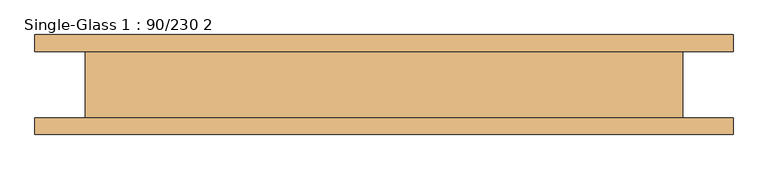
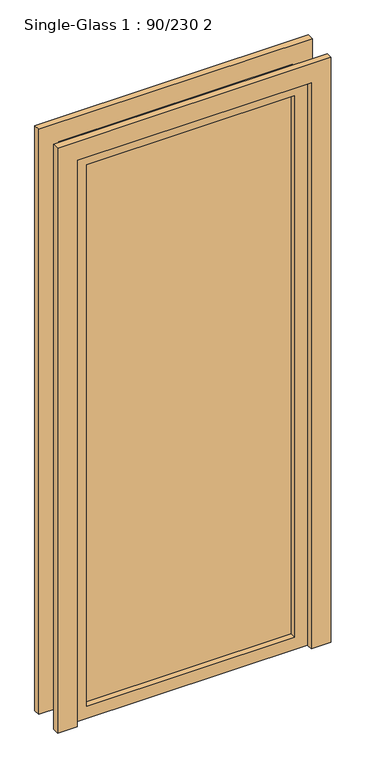
"""IFC4 building model written with IfcOpenShell, lengths in millimetres: door geometry, Single-Glass 1 : 90/230 2."""

from ifc_helpers import new_model, si_unit, frame, origin, place, context, project, spatial, polyline, outline, extrude, source, transform, mapped, element, save


def single_glass_1_90_230_2_7220eb84(model_context):
    return source(origin(), model_context, "Body", "SweptSolid", [
        extrude(outline(polyline([(2300.0, 450.0), (0.0, 450.0), (0.0, 526.2), (2376.2, 526.2), (2376.2, -526.2), (0.0, -526.2), (0.0, -450.0), (2300.0, -450.0), (2300.0, 450.0)])), frame((0.0, 50.0, 0.0), z_axis=(0.0, 1.0, 0.0), x_axis=(0.0, 0.0, 1.0)), (0.0, 0.0, 1.0), 25.4),
        extrude(outline(polyline([(2300.0, 450.0), (0.0, 450.0), (0.0, 526.2), (2376.2, 526.2), (2376.2, -526.2), (0.0, -526.2), (0.0, -450.0), (2300.0, -450.0), (2300.0, 450.0)])), frame((0.0, -75.4, 0.0), z_axis=(0.0, 1.0, 0.0), x_axis=(0.0, 0.0, 1.0)), (0.0, 0.0, 1.0), 25.4),
        extrude(outline(polyline([(400.0, -21.425), (400.0, -27.775), (-400.0, -27.775), (-400.0, -21.425), (400.0, -21.425)])), frame((0.0, 0.0, 50.0), z_axis=(0.0, 0.0, 1.0), x_axis=(1.0, 0.0, 0.0)), (0.0, 0.0, 1.0), 2200.0),
        extrude(outline(polyline([(2300.0, 450.0), (2300.0, -450.0), (0.0, -450.0), (0.0, 450.0), (2300.0, 450.0)]), holes=[polyline([(2250.0, -400.0), (2250.0, 400.0), (50.0, 400.0), (50.0, -400.0), (2250.0, -400.0)])]), frame((0.0, -50.0, 0.0), z_axis=(0.0, 1.0, 0.0), x_axis=(0.0, 0.0, 1.0)), (0.0, 0.0, 1.0), 100.0),
    ])


if __name__ == "__main__":
    model = new_model("IFC4")
    model_context = context("Model", 3, world=origin())
    ifc_project = project(units=[si_unit("LENGTHUNIT", "METRE", prefix="MILLI")], contexts=[model_context])
    site = spatial("IfcSite", under=ifc_project)
    building = spatial("IfcBuilding", under=site)
    placement = place(None, origin())
    single_glass_1_90_230_2_shape = single_glass_1_90_230_2_7220eb84(model_context)
    element("IfcDoor", 1, ObjectType="Single-Glass 1 : 90/230 2", at=placement, inside=building, context=model_context, shape_type="MappedRepresentation", body=[
        mapped(single_glass_1_90_230_2_shape, transform((0.0, 0.0, 0.0), x_axis=(1.0, 0.0, 0.0), y_axis=(0.0, 1.0, 0.0), z_axis=(0.0, 0.0, 1.0))),
    ])
    save(model, "model.ifc")
